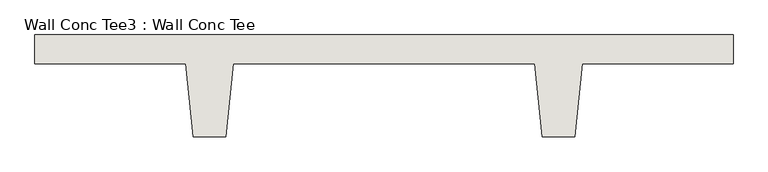
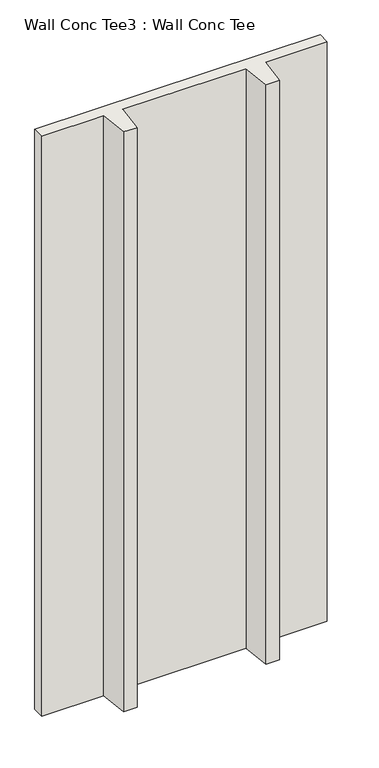
"""IFC4 building model written with IfcOpenShell, lengths in millimetres: wall geometry, Wall Conc Tee3 : Wall Conc Tee."""

from ifc_helpers import new_model, si_unit, frame, origin, place, context, project, spatial, polyline, outline, extrude, source, transform, mapped, element, save


def wall_conc_tee3_wall_conc_tee_510ba579(model_context):
    return source(origin(), model_context, "Body", "SweptSolid", [
        extrude(outline(polyline([(215049.8728488, 159042.8596581), (215049.8728488, 158941.2596581), (214522.8228488, 158941.2596581), (214497.4228488, 158687.2596581), (214383.1228488, 158687.2596581), (214357.7228488, 158941.2596581), (213303.6228488, 158941.2596581), (213278.2228488, 158687.2596581), (213163.9228488, 158687.2596581), (213138.5228488, 158941.2596581), (212611.4728488, 158941.2596581), (212611.4728488, 159042.8596581), (215049.8728488, 159042.8596581)])), frame((0.0, 0.0, 143.7592564), z_axis=(0.0, 0.0, 1.0), x_axis=(1.0, 0.0, 0.0)), (0.0, 0.0, 1.0), 5232.4087123),
    ])


if __name__ == "__main__":
    model = new_model("IFC4")
    model_context = context("Model", 3, world=origin())
    ifc_project = project(units=[si_unit("LENGTHUNIT", "METRE", prefix="MILLI")], contexts=[model_context])
    site = spatial("IfcSite", under=ifc_project)
    building = spatial("IfcBuilding", under=site)
    placement = place(None, origin())
    wall_conc_tee3_wall_conc_tee_shape = wall_conc_tee3_wall_conc_tee_510ba579(model_context)
    element("IfcWall", 1, ObjectType="Wall Conc Tee3 : Wall Conc Tee", at=placement, inside=building, context=model_context, shape_type="MappedRepresentation", body=[
        mapped(wall_conc_tee3_wall_conc_tee_shape, transform((0.0, 0.0, 0.0), x_axis=(1.0, 0.0, 0.0), y_axis=(0.0, 1.0, 0.0), z_axis=(0.0, 0.0, 1.0))),
    ])
    save(model, "model.ifc")
